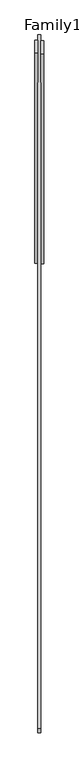
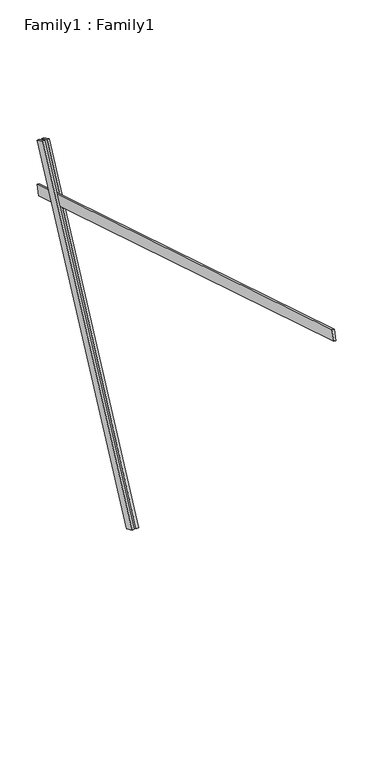
"""IFC4 building model written with IfcOpenShell, lengths in millimetres: proxy geometry, Family1 : Family1."""

import ifcopenshell
import ifcopenshell.guid

model = None  # the IFC model being written
_history = None  # IfcOwnerHistory: only IFC2X3 demands one
_inside = {}  # id of a spatial element -> (the spatial element, [elements in it])
_under = {}  # id of a project, library or spatial element -> (it, [spatial elements below it])
_declared = {}  # id of a project -> (the project, [libraries it declares])
_typed = {}  # id of a type object -> (the type object, [elements of that type])
_made_of = {}  # id of a material, layer set ... -> (it, [elements and type objects made of it])


def new_model(schema):
    """Start an empty IFC model of exactly this schema.

    Asked for "IFC4X3", IfcOpenShell would pick the latest addendum, in which some entities
    have other attributes; the version numbers below select the first issue.
    IFC2X3 requires an IfcOwnerHistory on every rooted entity: one is made here for all.
    """
    global model, _history
    if schema == "IFC4X3":
        model = ifcopenshell.file(schema_version=(4, 3, 0, 0))
    else:
        model = ifcopenshell.file(schema=schema)
    _inside.clear()
    _under.clear()
    _declared.clear()
    _typed.clear()
    _made_of.clear()
    _history = None
    if model.schema == "IFC2X3":
        org = make("IfcOrganization", Name="unknown")
        user = make(
            "IfcPersonAndOrganization",
            ThePerson=make("IfcPerson", FamilyName="unknown"),
            TheOrganization=org,
        )
        app = make(
            "IfcApplication",
            ApplicationDeveloper=org,
            Version="unknown",
            ApplicationFullName="unknown",
            ApplicationIdentifier="unknown",
        )
        _history = make(
            "IfcOwnerHistory",
            OwningUser=user,
            OwningApplication=app,
            ChangeAction="ADDED",
            CreationDate=0,
        )
    return model


def make(cls, **values):
    """One entity of the class cls with the attributes given. An attribute that is None is left unset."""
    return model.create_entity(
        cls, **{name: value for name, value in values.items() if value is not None}
    )


def rooted(cls, **values):
    """An entity with a GlobalId (a new one), such as an element, a storey or a relation."""
    return make(cls, GlobalId=ifcopenshell.guid.new(), OwnerHistory=_history, **values)


def si_unit(unit_type, name, prefix=None):
    """IfcSIUnit, for example si_unit("LENGTHUNIT", "METRE", prefix="MILLI")."""
    return make("IfcSIUnit", UnitType=unit_type, Prefix=prefix, Name=name)


def assignment(units):
    """IfcUnitAssignment: the units of a project."""
    return None if units is None else make("IfcUnitAssignment", Units=units)


def point(xyz):
    """IfcCartesianPoint."""
    return None if xyz is None else make("IfcCartesianPoint", Coordinates=xyz)


def direction(xyz):
    """IfcDirection."""
    return None if xyz is None else make("IfcDirection", DirectionRatios=xyz)


def frame(location, z_axis=None, x_axis=None):
    """IfcAxis2Placement3D, a coordinate frame: its origin and axes. An axis left out is left unset."""
    return make(
        "IfcAxis2Placement3D",
        Location=point(location),
        Axis=direction(z_axis),
        RefDirection=direction(x_axis),
    )


def origin():
    """The frame at (0, 0, 0) with its axes left unset."""
    return frame((0.0, 0.0, 0.0))


def place(relative_to, where):
    """IfcLocalPlacement: puts the frame where relative to a parent placement (None: the world)."""
    return make(
        "IfcLocalPlacement", PlacementRelTo=relative_to, RelativePlacement=where
    )


def context(
    kind, dimensions, precision=None, world=None, true_north=None, identifier=None
):
    """IfcGeometricRepresentationContext, for example the 3D "Model" context."""
    return make(
        "IfcGeometricRepresentationContext",
        ContextIdentifier=identifier,
        ContextType=kind,
        CoordinateSpaceDimension=dimensions,
        Precision=precision,
        WorldCoordinateSystem=world,
        TrueNorth=true_north,
    )


def project(units=None, contexts=None):
    """IfcProject with its units and contexts."""
    return rooted(
        "IfcProject",
        Name="project",
        RepresentationContexts=contexts,
        UnitsInContext=assignment(units),
    )


def spatial(cls, under=None, at=None, **own):
    """A site, building, storey or space (cls), placed at a placement, below another one or the project."""
    s = rooted(cls, ObjectPlacement=at, **own)
    if under is not None:
        _under.setdefault(under.id(), (under, []))[1].append(s)
    return s


def polyline(points):
    """IfcPolyline through the points."""
    return make("IfcPolyline", Points=[point(p) for p in points])


def outline(outer, holes=None, kind="AREA"):
    """IfcArbitraryClosedProfileDef: a profile drawn as a closed curve; with holes, ...WithVoids."""
    if holes is None:
        return make("IfcArbitraryClosedProfileDef", ProfileType=kind, OuterCurve=outer)
    return make(
        "IfcArbitraryProfileDefWithVoids",
        ProfileType=kind,
        OuterCurve=outer,
        InnerCurves=holes,
    )


def extrude(swept, where, along, depth):
    """IfcExtrudedAreaSolid: the profile swept, set in the frame where, extruded along a direction by depth."""
    return make(
        "IfcExtrudedAreaSolid",
        SweptArea=swept,
        Position=where,
        ExtrudedDirection=direction(along),
        Depth=depth,
    )


def shape(context_of_items, identifier, shape_type, items):
    """IfcShapeRepresentation: the items that make up one representation, for example the "Body"."""
    return make(
        "IfcShapeRepresentation",
        ContextOfItems=context_of_items,
        RepresentationIdentifier=identifier,
        RepresentationType=shape_type,
        Items=items,
    )


def source(mapping_origin, context_of_items, identifier, shape_type, items):
    """IfcRepresentationMap: a shape defined once, which mapped items show again and again."""
    return make(
        "IfcRepresentationMap",
        MappingOrigin=mapping_origin,
        MappedRepresentation=shape(context_of_items, identifier, shape_type, items),
    )


def transform(
    local_origin,
    x_axis=None,
    y_axis=None,
    z_axis=None,
    scale=None,
    scale2=None,
    scale3=None,
    uniform=True,
):
    """IfcCartesianTransformationOperator3D, or its non-uniform kind. x_axis, y_axis, z_axis: its Axis1, 2, 3."""
    if uniform:
        return make(
            "IfcCartesianTransformationOperator3D",
            Axis1=direction(x_axis),
            Axis2=direction(y_axis),
            LocalOrigin=point(local_origin),
            Scale=scale,
            Axis3=direction(z_axis),
        )
    return make(
        "IfcCartesianTransformationOperator3DnonUniform",
        Axis1=direction(x_axis),
        Axis2=direction(y_axis),
        LocalOrigin=point(local_origin),
        Scale=scale,
        Axis3=direction(z_axis),
        Scale2=scale2,
        Scale3=scale3,
    )


def mapped(mapping_source, mapping_target):
    """IfcMappedItem: shows the shape of a source again, moved by a transform."""
    return make(
        "IfcMappedItem", MappingSource=mapping_source, MappingTarget=mapping_target
    )


def made_of(thing, what):
    """Note that an element or type object is made of a material, layer set ...; save() writes the relation."""
    if what is not None:
        _made_of.setdefault(what.id(), (what, []))[1].append(thing)
    return thing


def element(
    cls,
    number,
    at=None,
    inside=None,
    cuts=None,
    type_object=None,
    material=None,
    context=None,
    identifier="Body",
    shape_type=None,
    held_by="IfcProductDefinitionShape",
    body=None,
    shapes=None,
    **own,
):
    """One element of the class cls, such as IfcWall. Its Tag is "e" and its number.

    at: its placement. inside: the storey or other place that contains it. cuts: it is an
    opening in that element (IfcRelVoidsElement). A single representation is given by context,
    identifier, shape_type and body (its items); several are given by shapes. held_by: the class
    of the entity that holds the representations. save() writes the other relations.
    """
    e = rooted(cls, Tag="e%d" % number, ObjectPlacement=at, **own)
    if body is not None:
        shapes = [shape(context, identifier, shape_type, body)]
    if shapes is not None:
        e.Representation = make(held_by, Representations=shapes)
    if inside is not None:
        _inside.setdefault(inside.id(), (inside, []))[1].append(e)
    if cuts is not None:
        rooted(
            "IfcRelVoidsElement", RelatingBuildingElement=cuts, RelatedOpeningElement=e
        )
    if type_object is not None:
        _typed.setdefault(type_object.id(), (type_object, []))[1].append(e)
    return made_of(e, material)


def aggregate(whole, parts):
    """IfcRelAggregates: a whole, such as a stair, and the parts it consists of."""
    return rooted("IfcRelAggregates", RelatingObject=whole, RelatedObjects=parts)


def save(model, path):
    """Write the relations noted so far, then the file.

    IfcRelAggregates (storeys below a building ...), IfcRelContainedInSpatialStructure (elements
    in a storey), IfcRelDefinesByType, IfcRelAssociatesMaterial and IfcRelDeclares: one each for
    every whole, place, type object, material and project.
    """
    for whole, parts in _under.values():
        aggregate(whole, parts)
    for where, things in _inside.values():
        rooted(
            "IfcRelContainedInSpatialStructure",
            RelatedElements=things,
            RelatingStructure=where,
        )
    for kind, things in _typed.values():
        rooted("IfcRelDefinesByType", RelatedObjects=things, RelatingType=kind)
    for what, things in _made_of.values():
        rooted("IfcRelAssociatesMaterial", RelatedObjects=things, RelatingMaterial=what)
    for by, libraries in _declared.values():
        rooted("IfcRelDeclares", RelatingContext=by, RelatedDefinitions=libraries)
    model.write(path)


def family1_family1_a7e13b1c(model_context):
    return source(origin(), model_context, "Body", "SweptSolid", [
        extrude(outline(polyline([(0.0, 0.0), (0.0, -20.0), (-100.0000001, -20.0), (-100.0000001, 0.0), (0.0, 0.0)])), frame((-30.0, 46.3241747, -22.5938096), z_axis=(0.0, 0.4383711467890692, 0.8987940462991711), x_axis=(0.0, 0.8987940462991711, -0.4383711467890692)), (0.0, 0.0, 1.0), 3300.0),
        extrude(outline(polyline([(0.0, 0.0), (0.0, -20.0), (-99.9999999, -20.0), (-99.9999999, 0.0), (0.0, 0.0)])), frame((10.0, 45.270232, -22.0797674), z_axis=(0.0, 0.4383711467890692, 0.8987940462991711), x_axis=(0.0, 0.8987940462991711, -0.4383711467890692)), (0.0, 0.0, 1.0), 3300.0),
        extrude(outline(polyline([(0.0, -20.0), (0.0, 0.0), (5000.0, 0.0), (5000.0, -20.0), (0.0, -20.0)])), frame((-10.0, -3280.150104, 3842.4470948), z_axis=(0.0, 0.29237170472273877, 0.9563047559630349), x_axis=(0.0, 0.9563047559630349, -0.29237170472273877)), (0.0, 0.0, 1.0), 100.0),
    ])


if __name__ == "__main__":
    model = new_model("IFC4")
    model_context = context("Model", 3, world=origin())
    ifc_project = project(units=[si_unit("LENGTHUNIT", "METRE", prefix="MILLI")], contexts=[model_context])
    site = spatial("IfcSite", under=ifc_project)
    building = spatial("IfcBuilding", under=site)
    placement = place(None, origin())
    family1_family1_shape = family1_family1_a7e13b1c(model_context)
    element("IfcBuildingElementProxy", 1, Name="Family1 : Family1", ObjectType="Family1 : Family1", at=placement, inside=building, context=model_context, shape_type="MappedRepresentation", body=[
        mapped(family1_family1_shape, transform((0.0, 0.0, 0.0), x_axis=(1.0, 0.0, 0.0), y_axis=(0.0, 1.0, 0.0), z_axis=(0.0, 0.0, 1.0))),
    ])
    save(model, "model.ifc")
